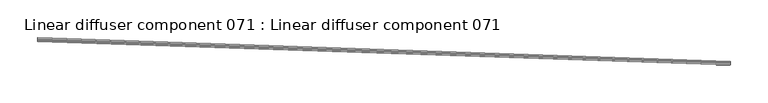
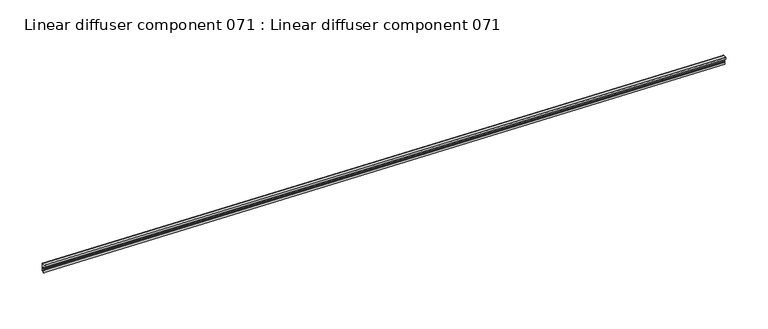
"""IFC4 building model written with IfcOpenShell, lengths in millimetres: proxy geometry, Linear diffuser component 071 : Linear diffuser component 071."""

from ifc_helpers import new_model, si_unit, origin, place, context, project, spatial, triangles, source, transform, mapped, element, save


def linear_diffuser_component_071_linear_diffuser_component_071_8cb96a78(model_context):
    return source(origin(), model_context, "Body", "Tessellation", [
        triangles([(34345.3059265, -15741.3635834, 3053.0011391), (33431.4407776, -15710.0899109, 3053.0011391), (33431.4477539, -15709.8620178, 3052.6825539), (34345.3129028, -15741.1356903, 3052.6825539), (33431.4338013, -15710.2503662, 3052.6825539), (34345.2989502, -15741.5240387, 3052.6825539), (33431.4338013, -15710.2503662, 3049.3286888), (34345.2989502, -15741.5240387, 3049.3286888), (34345.3129028, -15741.1333649, 3048.9406311), (33431.4477539, -15709.8585297, 3048.9406311), (33431.4826355, -15708.8353363, 3048.9406311), (34345.3477844, -15740.1090088, 3048.9406311), (33431.4826355, -15708.8353363, 3049.7193626), (34345.3477844, -15740.1090088, 3049.7193626), (33431.538446, -15707.2424103, 3049.7193626), (34345.403595, -15738.5160828, 3049.7193626), (33431.538446, -15707.2424103, 3059.7382278), (34345.403595, -15738.5160828, 3059.7382278), (34345.4059204, -15738.3998108, 3059.7382278), (33431.5407715, -15707.1261383, 3059.7382278), (33431.5407715, -15707.1261383, 3060.5140526), (34345.4059204, -15738.3998108, 3060.5140526), (33431.3826416, -15711.7967834, 3060.5140526), (34345.2477905, -15743.0716187, 3060.5140526), (33431.3826416, -15711.7967834, 3060.1259949), (34345.2477905, -15743.0716187, 3060.1259949), (33431.368689, -15712.1851318, 3060.1259949), (34345.2338379, -15743.4588043, 3060.1259949), (33431.368689, -15712.1851318, 3058.1516968), (34345.2338379, -15743.4588043, 3058.1516968), (34345.2477905, -15743.0506897, 3057.8336929), (33431.3826416, -15711.7770172, 3057.8336929), (33431.4524048, -15709.7620239, 3057.0014763), (34345.3152283, -15741.0356964, 3057.0014763), (33431.4779846, -15708.9923035, 3055.1393806), (34345.3431335, -15740.265976, 3055.1393806), (33431.4686829, -15709.2818207, 3053.9377098), (34345.3338318, -15740.5566559, 3053.9377098)], [[4, 1, 2], [2, 3, 4], [6, 4, 5], [3, 5, 4], [8, 6, 7], [5, 7, 6], [12, 9, 10], [10, 11, 12], [14, 12, 11], [11, 13, 14], [16, 14, 13], [13, 15, 16], [18, 16, 17], [15, 17, 16], [22, 19, 21], [20, 21, 19], [24, 22, 23], [21, 23, 22], [26, 24, 25], [23, 25, 24], [28, 26, 25], [25, 27, 28], [30, 28, 29], [27, 29, 28], [34, 31, 32], [32, 33, 34], [36, 34, 35], [33, 35, 34], [38, 36, 35], [35, 37, 38], [1, 38, 37], [37, 2, 1]], closed=False),
    ])


if __name__ == "__main__":
    model = new_model("IFC4")
    model_context = context("Model", 3, world=origin())
    ifc_project = project(units=[si_unit("LENGTHUNIT", "METRE", prefix="MILLI")], contexts=[model_context])
    site = spatial("IfcSite", under=ifc_project)
    building = spatial("IfcBuilding", under=site)
    placement = place(None, origin())
    linear_diffuser_component_071_linear_diffuser_component_071_shape = linear_diffuser_component_071_linear_diffuser_component_071_8cb96a78(model_context)
    element("IfcBuildingElementProxy", 1, Name="Linear diffuser component 071 : Linear diffuser component 071", ObjectType="Linear diffuser component 071 : Linear diffuser component 071", at=placement, inside=building, context=model_context, shape_type="MappedRepresentation", body=[
        mapped(linear_diffuser_component_071_linear_diffuser_component_071_shape, transform((0.0, 0.0, 0.0), x_axis=(1.0, 0.0, 0.0), y_axis=(0.0, 1.0, 0.0), z_axis=(0.0, 0.0, 1.0))),
    ])
    save(model, "model.ifc")
